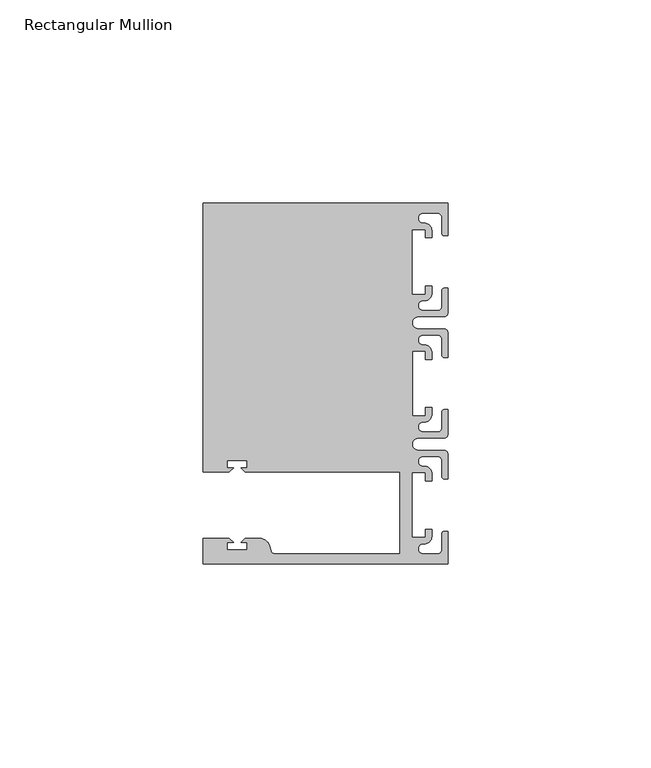
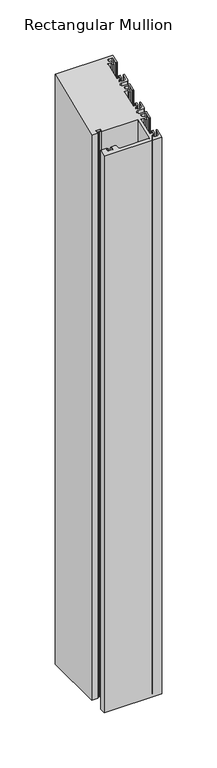
"""IFC4 building model written with IfcOpenShell, lengths in millimetres: member geometry, Rectangular Mullion."""

from ifc_helpers import new_model, si_unit, frame, origin, place, context, project, spatial, polyline, circle_curve, ellipse_curve, source, transform, mapped, element, save
from ifc_brep_helpers import plane_surface, cylinder_surface, revolved_surface, advanced_brep


def rectangular_mullion_9b16fe6d(model_context):
    return source(origin(), model_context, "Body", "AdvancedBrep", [
        advanced_brep(
        [(0.0, -44.45, -635.0), (-60.3249977, -44.45, -635.0), (-60.3249977, -38.1499897, -635.0), (-53.8507531, -38.1499897, -635.0), (-52.8507405, -39.1500023, -635.0), (-54.4249778, -39.1500023, -635.0), (-54.4249778, -40.9498819, -635.0), (-49.4249831, -40.9498819, -635.0), (-49.4249831, -39.1500023, -635.0), (-50.999256, -39.1500023, -635.0), (-49.9992503, -38.1499966, -635.0), (-46.3137853, -38.1499966, -635.0), (-43.8989707, -40.002949, -635.0), (-43.5758588, -41.2088192, -635.0), (-42.6099329, -41.9500001, -635.0), (-11.8, -41.95, -635.0), (-11.8, -21.7499959, -635.0), (-49.9992434, -21.7499959, -635.0), (-50.999256, -20.7499834, -635.0), (-49.4250186, -20.7499834, -635.0), (-49.4250186, -18.949936, -635.0), (-54.4250134, -18.949936, -635.0), (-54.4250134, -20.7499834, -635.0), (-52.8507405, -20.7499834, -635.0), (-53.8507562, -21.749999, -635.0), (-60.325, -21.749999, -635.0), (-60.325, 44.45, -635.0), (0.0, 44.45, -635.0), (0.0, 36.4500318, -635.0), (-1.0, 36.4500318, -635.0), (-1.5, 36.9500318, -635.0), (-1.5, 40.95, -635.0), (-2.5, 41.95, -635.0), (-6.0499986, 41.95, -635.0), (-5.9027291, 39.4587029, -635.0), (-4.0000054, 37.7499972, -635.0), (-4.0000054, 35.9500318, -635.0), (-5.5, 35.9500318, -635.0), (-5.5, 37.9499972, -635.0), (-8.8585786, 37.9499972, -635.0), (-8.8585786, 21.9499956, -635.0), (-5.5, 21.9499956, -635.0), (-5.5, 23.9499611, -635.0), (-3.9999946, 23.9499611, -635.0), (-3.9999946, 22.0272972, -635.0), (-6.0499986, 20.4499956, -635.0), (-6.0499986, 17.9499929, -635.0), (-2.5, 17.9499929, -635.0), (-1.5, 18.9499929, -635.0), (-1.5, 22.9499611, -635.0), (-1.0, 23.4499611, -635.0), (0.0, 23.4499611, -635.0), (0.0, 17.4499929, -635.0), (-1.0, 16.4499929, -635.0), (-7.3, 16.4499929, -635.0), (-7.3046244, 13.45, -635.0), (-1.0, 13.45, -635.0), (0.0, 12.45, -635.0), (0.0, 6.4500354, -635.0), (-0.9999964, 6.4500354, -635.0), (-1.4999964, 6.9500354, -635.0), (-1.4999964, 10.95, -635.0), (-2.4999964, 11.95, -635.0), (-6.0499986, 11.95, -635.0), (-6.0499986, 9.4499972, -635.0), (-4.0000054, 7.7499972, -635.0), (-4.0000054, 5.9500318, -635.0), (-5.5, 5.9500318, -635.0), (-5.5, 7.9499972, -635.0), (-8.8, 7.9499972, -635.0), (-8.8, -7.9499972, -635.0), (-5.5, -7.9499972, -635.0), (-5.5, -5.9500318, -635.0), (-4.0000054, -5.9500318, -635.0), (-4.0000054, -7.7499972, -635.0), (-6.0499986, -9.4499972, -635.0), (-6.0499986, -11.95, -635.0), (-2.4999964, -11.95, -635.0), (-1.4999964, -10.95, -635.0), (-1.4999964, -6.9500354, -635.0), (-0.9999964, -6.4500354, -635.0), (0.0, -6.4500354, -635.0), (0.0, -12.45, -635.0), (-1.0, -13.45, -635.0), (-7.3046244, -13.45, -635.0), (-7.3, -16.4499929, -635.0), (-1.0, -16.4499929, -635.0), (0.0, -17.4499929, -635.0), (0.0, -23.4499611, -635.0), (-1.0, -23.4499611, -635.0), (-1.5, -22.9499611, -635.0), (-1.5, -18.9499929, -635.0), (-2.5, -17.9499929, -635.0), (-6.0499986, -17.9499929, -635.0), (-6.0499986, -20.4499956, -635.0), (-3.9999946, -22.0272972, -635.0), (-3.9999946, -23.9499611, -635.0), (-5.5, -23.9499611, -635.0), (-5.5, -21.9499956, -635.0), (-8.8585786, -21.9499956, -635.0), (-8.8585786, -37.9499972, -635.0), (-5.5, -37.9499972, -635.0), (-5.5, -35.9500318, -635.0), (-4.0000054, -35.9500318, -635.0), (-4.0000054, -37.7499972, -635.0), (-5.9027291, -39.4587029, -635.0), (-6.0499986, -41.95, -635.0), (-2.5, -41.95, -635.0), (-1.5, -40.95, -635.0), (-1.5, -36.9500318, -635.0), (-1.0, -36.4500318, -635.0), (0.0, -36.4500318, -635.0), (0.0, -36.4500318, -15.0980975), (0.0, -44.45, -18.4117928), (-1.0, -36.4500318, -15.0980975), (-1.5, -36.9500318, -15.3052043), (-1.5, -40.95, -16.9620454), (-2.5, -41.95, -17.3762589), (-6.0499986, -41.95, -17.3762589), (-5.9027291, -39.4587029, -16.3443299), (-4.0000054, -37.7499972, -15.6365608), (-4.0000054, -35.9500318, -14.8909907), (-5.5, -35.9500318, -14.8909907), (-5.5, -37.9499972, -15.7194036), (-8.8585786, -37.9499972, -15.7194036), (-8.8585786, -21.9499956, -9.0919859), (-5.5, -21.9499956, -9.0919859), (-5.5, -23.9499611, -9.9203987), (-3.9999946, -23.9499611, -9.9203987), (-3.9999946, -22.0272972, -9.1240053), (-6.0499986, -20.4499956, -8.4706655), (-6.0499986, -17.9499929, -7.4351305), (-2.5, -17.9499929, -7.4351305), (-1.5, -18.9499929, -7.8493441), (-1.5, -22.9499611, -9.5061851), (-1.0, -23.4499611, -9.7132919), (0.0, -23.4499611, -9.7132919), (0.0, -17.4499929, -7.2280237), (-1.0, -16.4499929, -6.8138101), (-7.3, -16.4499929, -6.8138101), (-7.3046244, -13.45, -5.5711724), (-1.0, -13.45, -5.5711724), (0.0, -12.45, -5.1569589), (0.0, -6.4500354, -2.6716921), (-0.9999964, -6.4500354, -2.6716921), (-1.4999964, -6.9500354, -2.8787989), (-1.4999964, -10.95, -4.5356385), (-2.4999964, -11.95, -4.9498521), (-6.0499986, -11.95, -4.9498521), (-6.0499986, -9.4499972, -3.914317), (-4.0000054, -7.7499972, -3.210154), (-4.0000054, -5.9500318, -2.4645839), (-5.5, -5.9500318, -2.4645839), (-5.5, -7.9499972, -3.2929967), (-8.8, -7.9499972, -3.2929967), (-8.8, 7.9499972, 3.2929967), (-5.5, 7.9499972, 3.2929967), (-5.5, 5.9500318, 2.4645839), (-4.0000054, 5.9500318, 2.4645839), (-4.0000054, 7.7499972, 3.210154), (-6.0499986, 9.4499972, 3.914317), (-6.0499986, 11.95, 4.9498521), (-2.4999964, 11.95, 4.9498521), (-1.4999964, 10.95, 4.5356385), (-1.4999964, 6.9500354, 2.8787989), (-0.9999964, 6.4500354, 2.6716921), (0.0, 6.4500354, 2.6716921), (0.0, 12.45, 5.1569589), (-1.0, 13.45, 5.5711724), (-7.3046244, 13.45, 5.5711724), (-7.3, 16.4499929, 6.8138101), (-1.0, 16.4499929, 6.8138101), (0.0, 17.4499929, 7.2280237), (0.0, 23.4499611, 9.7132919), (-1.0, 23.4499611, 9.7132919), (-1.5, 22.9499611, 9.5061851), (-1.5, 18.9499929, 7.8493441), (-2.5, 17.9499929, 7.4351305), (-6.0499986, 17.9499929, 7.4351305), (-6.0499986, 20.4499956, 8.4706655), (-3.9999946, 22.0272972, 9.1240053), (-3.9999946, 23.9499611, 9.9203987), (-5.5, 23.9499611, 9.9203987), (-5.5, 21.9499956, 9.0919859), (-8.8585786, 21.9499956, 9.0919859), (-8.8585786, 37.9499972, 15.7194036), (-5.5, 37.9499972, 15.7194036), (-5.5, 35.9500318, 14.8909907), (-4.0000054, 35.9500318, 14.8909907), (-4.0000054, 37.7499972, 15.6365608), (-5.9027291, 39.4587029, 16.3443299), (-6.0499986, 41.95, 17.3762589), (-2.5, 41.95, 17.3762589), (-1.5, 40.95, 16.9620454), (-1.5, 36.9500318, 15.3052043), (-1.0, 36.4500318, 15.0980975), (0.0, 36.4500318, 15.0980975), (0.0, 44.45, 18.4117928), (-60.325, 44.45, 18.4117928), (-60.325, -21.749999, -9.0091446), (-53.8507562, -21.749999, -9.0091446), (-52.8507405, -20.7499834, -8.5949245), (-54.4250134, -20.7499834, -8.5949245), (-54.4250134, -18.949936, -7.8493205), (-49.4250186, -18.949936, -7.8493205), (-49.4250186, -20.7499834, -8.5949245), (-50.999256, -20.7499834, -8.5949245), (-49.9992434, -21.7499959, -9.0091433), (-11.8, -21.7499959, -9.0091433), (-11.8, -41.95, -17.3762589), (-42.6099329, -41.95, -17.376259), (-43.5758588, -41.2088192, -17.0692518), (-43.8989707, -40.002949, -16.569764), (-46.3137853, -38.1499966, -15.802246), (-49.9992503, -38.1499966, -15.802246), (-50.999256, -39.1500023, -16.2164619), (-49.4249831, -39.1500023, -16.2164619), (-49.4249831, -40.9498819, -16.9619965), (-54.4249778, -40.9498819, -16.9619965), (-54.4249778, -39.1500023, -16.2164619), (-52.8507405, -39.1500023, -16.2164619), (-53.8507531, -38.1499897, -15.8022431), (-60.3249977, -38.1499897, -15.8022431), (-60.3249977, -44.45, -18.4117928)],
        [
            (0, 1),
            (1, 2),
            (2, 3),
            (3, 4),
            (4, 5),
            (5, 6),
            (6, 7),
            (7, 8),
            (8, 9),
            (9, 10),
            (10, 11),
            (11, 12, circle_curve(frame((-46.3137853, -40.6499966, -635.0), z_axis=(0.0, 0.0, -1.0), x_axis=(0.0, 1.0, 0.0)), 2.5)),
            (12, 13),
            (13, 14, circle_curve(frame((-42.6099329, -40.9500001, -635.0), z_axis=(0.0, 0.0, 1.0), x_axis=(0.0, 1.0, 0.0)), 1.0)),
            (14, 15),
            (15, 16),
            (16, 17),
            (17, 18),
            (18, 19),
            (19, 20),
            (20, 21),
            (21, 22),
            (22, 23),
            (23, 24),
            (24, 25),
            (25, 26),
            (26, 27),
            (27, 28),
            (28, 29),
            (29, 30, circle_curve(frame((-1.0, 36.9500318, -635.0), z_axis=(0.0, 0.0, -1.0), x_axis=(0.0, -1.0, 0.0)), 0.5)),
            (30, 31),
            (31, 32, circle_curve(frame((-2.5, 40.95, -635.0), z_axis=(0.0, 0.0, 1.0), x_axis=(0.0, -1.0, 0.0)), 1.0)),
            (32, 33),
            (33, 34, circle_curve(frame((-6.0499986, 40.6999986, -635.0), z_axis=(0.0, 0.0, 1.0), x_axis=(0.0, -1.0, 0.0)), 1.2500014)),
            (34, 35, circle_curve(frame((-5.7186029, 37.7499972, -635.0), z_axis=(0.0, 0.0, -1.0), x_axis=(1.0, 0.0, 0.0)), 1.7185975)),
            (35, 36),
            (36, 37),
            (37, 38),
            (38, 39),
            (39, 40),
            (40, 41),
            (41, 42),
            (42, 43),
            (43, 44),
            (44, 45, circle_curve(frame((-5.7543344, 22.1865598, -635.0), z_axis=(0.0, 0.0, -1.0), x_axis=(1.0, 0.0, 0.0)), 1.761554)),
            (45, 46, circle_curve(frame((-6.0499986, 19.1999942, -635.0), z_axis=(0.0, 0.0, 1.0), x_axis=(0.0, -1.0, 0.0)), 1.2500014)),
            (46, 47),
            (47, 48, circle_curve(frame((-2.5, 18.9499929, -635.0), z_axis=(0.0, 0.0, 1.0), x_axis=(0.0, -1.0, 0.0)), 1.0)),
            (48, 49),
            (49, 50, circle_curve(frame((-1.0, 22.9499611, -635.0), z_axis=(0.0, 0.0, -1.0), x_axis=(0.0, -1.0, 0.0)), 0.5)),
            (50, 51),
            (51, 52),
            (52, 53, circle_curve(frame((-1.0, 17.4499929, -635.0), z_axis=(0.0, 0.0, -1.0), x_axis=(0.0, -1.0, 0.0)), 1.0)),
            (53, 54),
            (54, 55, circle_curve(frame((-7.3, 14.9499929, -635.0), z_axis=(0.0, 0.0, 1.0), x_axis=(0.0, -1.0, 0.0)), 1.5)),
            (55, 56),
            (56, 57, circle_curve(frame((-1.0, 12.45, -635.0), z_axis=(0.0, 0.0, -1.0), x_axis=(0.0, -1.0, 0.0)), 1.0)),
            (57, 58),
            (58, 59),
            (59, 60, circle_curve(frame((-0.9999964, 6.9500354, -635.0), z_axis=(0.0, 0.0, -1.0), x_axis=(0.0, -1.0, 0.0)), 0.5)),
            (60, 61),
            (61, 62, circle_curve(frame((-2.4999964, 10.95, -635.0), z_axis=(0.0, 0.0, 1.0), x_axis=(0.0, -1.0, 0.0)), 1.0)),
            (62, 63),
            (63, 64, circle_curve(frame((-6.0499986, 10.6999986, -635.0), z_axis=(0.0, 0.0, 1.0), x_axis=(0.0, -1.0, 0.0)), 1.2500014)),
            (64, 65, circle_curve(frame((-5.7298824, 7.7499972, -635.0), z_axis=(0.0, 0.0, -1.0), x_axis=(1.0, 0.0, 0.0)), 1.729877)),
            (65, 66),
            (66, 67),
            (67, 68),
            (68, 69),
            (69, 70),
            (70, 71),
            (71, 72),
            (72, 73),
            (73, 74),
            (74, 75, circle_curve(frame((-5.7298824, -7.7499972, -635.0), z_axis=(0.0, 0.0, -1.0), x_axis=(1.0, 0.0, 0.0)), 1.729877)),
            (75, 76, circle_curve(frame((-6.0499986, -10.6999986, -635.0), z_axis=(0.0, 0.0, 1.0), x_axis=(0.0, 1.0, 0.0)), 1.2500014)),
            (76, 77),
            (77, 78, circle_curve(frame((-2.4999964, -10.95, -635.0), z_axis=(0.0, 0.0, 1.0), x_axis=(0.0, 1.0, 0.0)), 1.0)),
            (78, 79),
            (79, 80, circle_curve(frame((-0.9999964, -6.9500354, -635.0), z_axis=(0.0, 0.0, -1.0), x_axis=(0.0, 1.0, 0.0)), 0.5)),
            (80, 81),
            (81, 82),
            (82, 83, circle_curve(frame((-1.0, -12.45, -635.0), z_axis=(0.0, 0.0, -1.0), x_axis=(0.0, 1.0, 0.0)), 1.0)),
            (83, 84),
            (84, 85, circle_curve(frame((-7.3, -14.9499929, -635.0), z_axis=(0.0, 0.0, 1.0), x_axis=(0.0, 1.0, 0.0)), 1.5)),
            (85, 86),
            (86, 87, circle_curve(frame((-1.0, -17.4499929, -635.0), z_axis=(0.0, 0.0, -1.0), x_axis=(0.0, 1.0, 0.0)), 1.0)),
            (87, 88),
            (88, 89),
            (89, 90, circle_curve(frame((-1.0, -22.9499611, -635.0), z_axis=(0.0, 0.0, -1.0), x_axis=(0.0, 1.0, 0.0)), 0.5)),
            (90, 91),
            (91, 92, circle_curve(frame((-2.5, -18.9499929, -635.0), z_axis=(0.0, 0.0, 1.0), x_axis=(0.0, 1.0, 0.0)), 1.0)),
            (92, 93),
            (93, 94, circle_curve(frame((-6.0499986, -19.1999942, -635.0), z_axis=(0.0, 0.0, 1.0), x_axis=(0.0, 1.0, 0.0)), 1.2500014)),
            (94, 95, circle_curve(frame((-5.7543344, -22.1865598, -635.0), z_axis=(0.0, 0.0, -1.0), x_axis=(1.0, 0.0, 0.0)), 1.761554)),
            (95, 96),
            (96, 97),
            (97, 98),
            (98, 99),
            (99, 100),
            (100, 101),
            (101, 102),
            (102, 103),
            (103, 104),
            (104, 105, circle_curve(frame((-5.7186029, -37.7499972, -635.0), z_axis=(0.0, 0.0, -1.0), x_axis=(1.0, 0.0, 0.0)), 1.7185975)),
            (105, 106, circle_curve(frame((-6.0499986, -40.6999986, -635.0), z_axis=(0.0, 0.0, 1.0), x_axis=(0.0, 1.0, 0.0)), 1.2500014)),
            (106, 107),
            (107, 108, circle_curve(frame((-2.5, -40.95, -635.0), z_axis=(0.0, 0.0, 1.0), x_axis=(0.0, 1.0, 0.0)), 1.0)),
            (108, 109),
            (109, 110, circle_curve(frame((-1.0, -36.9500318, -635.0), z_axis=(0.0, 0.0, -1.0), x_axis=(0.0, 1.0, 0.0)), 0.5)),
            (110, 111),
            (111, 0),
            (112, 113),
            (113, 0),
            (111, 112),
            (114, 112),
            (110, 114),
            (115, 114, ellipse_curve(frame((-1.0, -36.9500318, -15.3052043), z_axis=(0.0, 0.3826834323650909, -0.9238795325112864), x_axis=(0.0, 0.9238795325112865, 0.3826834323650905)), 0.5411961, 0.5)),
            (109, 115),
            (116, 115),
            (108, 116),
            (117, 116, ellipse_curve(frame((-2.5, -40.95, -16.9620454), z_axis=(0.0, -0.3826834323650909, 0.9238795325112864), x_axis=(0.0, -0.9238795325112865, -0.3826834323650905)), 1.0823922, 1.0)),
            (107, 117),
            (118, 117),
            (106, 118),
            (119, 118, ellipse_curve(frame((-6.0499986, -40.6999986, -16.8584914), z_axis=(0.0, -0.3826834323650909, 0.9238795325112864), x_axis=(0.0, -0.9238795325112865, -0.3826834323650905)), 1.3529917, 1.2500014)),
            (105, 119),
            (120, 119, ellipse_curve(frame((-5.7186029, -37.7499972, -15.6365608), z_axis=(0.0, 0.3826834323650909, -0.9238795325112864), x_axis=(0.0, 0.9238795325112865, 0.3826834323650905)), 1.8601965, 1.7185975)),
            (104, 120),
            (121, 120),
            (103, 121),
            (122, 121),
            (102, 122),
            (123, 122),
            (101, 123),
            (124, 123),
            (100, 124),
            (125, 124),
            (99, 125),
            (126, 125),
            (98, 126),
            (127, 126),
            (97, 127),
            (128, 127),
            (96, 128),
            (129, 128),
            (95, 129),
            (130, 129, ellipse_curve(frame((-5.7543344, -22.1865598, -9.189974), z_axis=(0.0, 0.3826834323650909, -0.9238795325112864), x_axis=(0.0, 0.9238795325112865, 0.3826834323650905)), 1.9066923, 1.761554)),
            (94, 130),
            (131, 130, ellipse_curve(frame((-6.0499986, -19.1999942, -7.952898), z_axis=(0.0, -0.3826834323650909, 0.9238795325112864), x_axis=(0.0, -0.9238795325112865, -0.3826834323650905)), 1.3529917, 1.2500014)),
            (93, 131),
            (132, 131),
            (92, 132),
            (133, 132, ellipse_curve(frame((-2.5, -18.9499929, -7.8493441), z_axis=(0.0, -0.3826834323650909, 0.9238795325112864), x_axis=(0.0, -0.9238795325112865, -0.3826834323650905)), 1.0823922, 1.0)),
            (91, 133),
            (134, 133),
            (90, 134),
            (135, 134, ellipse_curve(frame((-1.0, -22.9499611, -9.5061851), z_axis=(0.0, 0.3826834323650909, -0.9238795325112864), x_axis=(0.0, 0.9238795325112865, 0.3826834323650905)), 0.5411961, 0.5)),
            (89, 135),
            (136, 135),
            (88, 136),
            (137, 136),
            (87, 137),
            (138, 137, ellipse_curve(frame((-1.0, -17.4499929, -7.2280237), z_axis=(0.0, 0.3826834323650909, -0.9238795325112864), x_axis=(0.0, 0.9238795325112865, 0.3826834323650905)), 1.0823922, 1.0)),
            (86, 138),
            (139, 138),
            (85, 139),
            (140, 139, ellipse_curve(frame((-7.3, -14.9499929, -6.1924898), z_axis=(0.0, -0.3826834323650909, 0.9238795325112864), x_axis=(0.0, -0.9238795325112865, -0.3826834323650905)), 1.6235883, 1.5)),
            (84, 140),
            (141, 140),
            (83, 141),
            (142, 141, ellipse_curve(frame((-1.0, -12.45, -5.1569589), z_axis=(0.0, 0.3826834323650909, -0.9238795325112864), x_axis=(0.0, 0.9238795325112865, 0.3826834323650905)), 1.0823922, 1.0)),
            (82, 142),
            (143, 142),
            (81, 143),
            (144, 143),
            (80, 144),
            (145, 144, ellipse_curve(frame((-0.9999964, -6.9500354, -2.8787989), z_axis=(0.0, 0.3826834323650909, -0.9238795325112864), x_axis=(0.0, 0.9238795325112865, 0.3826834323650905)), 0.5411961, 0.5)),
            (79, 145),
            (146, 145),
            (78, 146),
            (147, 146, ellipse_curve(frame((-2.4999964, -10.95, -4.5356385), z_axis=(0.0, -0.3826834323650909, 0.9238795325112864), x_axis=(0.0, -0.9238795325112865, -0.3826834323650905)), 1.0823922, 1.0)),
            (77, 147),
            (148, 147),
            (76, 148),
            (149, 148, ellipse_curve(frame((-6.0499986, -10.6999986, -4.4320845), z_axis=(0.0, -0.3826834323650909, 0.9238795325112864), x_axis=(0.0, -0.9238795325112865, -0.3826834323650905)), 1.3529917, 1.2500014)),
            (75, 149),
            (150, 149, ellipse_curve(frame((-5.7298824, -7.7499972, -3.210154), z_axis=(0.0, 0.3826834323650909, -0.9238795325112864), x_axis=(0.0, 0.9238795325112865, 0.3826834323650905)), 1.8724054, 1.729877)),
            (74, 150),
            (151, 150),
            (73, 151),
            (152, 151),
            (72, 152),
            (153, 152),
            (71, 153),
            (154, 153),
            (70, 154),
            (155, 154),
            (69, 155),
            (156, 155),
            (68, 156),
            (157, 156),
            (67, 157),
            (158, 157),
            (66, 158),
            (159, 158),
            (65, 159),
            (160, 159, ellipse_curve(frame((-5.7298824, 7.7499972, 3.210154), z_axis=(0.0, 0.3826834323650909, -0.9238795325112864), x_axis=(0.0, 0.9238795325112865, 0.3826834323650905)), 1.8724054, 1.729877)),
            (64, 160),
            (161, 160, ellipse_curve(frame((-6.0499986, 10.6999986, 4.4320845), z_axis=(0.0, -0.3826834323650909, 0.9238795325112864), x_axis=(0.0, -0.9238795325112865, -0.3826834323650905)), 1.3529917, 1.2500014)),
            (63, 161),
            (162, 161),
            (62, 162),
            (163, 162, ellipse_curve(frame((-2.4999964, 10.95, 4.5356385), z_axis=(0.0, -0.3826834323650909, 0.9238795325112864), x_axis=(0.0, -0.9238795325112865, -0.3826834323650905)), 1.0823922, 1.0)),
            (61, 163),
            (164, 163),
            (60, 164),
            (165, 164, ellipse_curve(frame((-0.9999964, 6.9500354, 2.8787989), z_axis=(0.0, 0.3826834323650909, -0.9238795325112864), x_axis=(0.0, 0.9238795325112865, 0.3826834323650905)), 0.5411961, 0.5)),
            (59, 165),
            (166, 165),
            (58, 166),
            (167, 166),
            (57, 167),
            (168, 167, ellipse_curve(frame((-1.0, 12.45, 5.1569589), z_axis=(0.0, 0.3826834323650909, -0.9238795325112864), x_axis=(0.0, 0.9238795325112865, 0.3826834323650905)), 1.0823922, 1.0)),
            (56, 168),
            (169, 168),
            (55, 169),
            (170, 169, ellipse_curve(frame((-7.3, 14.9499929, 6.1924898), z_axis=(0.0, -0.3826834323650909, 0.9238795325112864), x_axis=(0.0, -0.9238795325112865, -0.3826834323650905)), 1.6235883, 1.5)),
            (54, 170),
            (171, 170),
            (53, 171),
            (172, 171, ellipse_curve(frame((-1.0, 17.4499929, 7.2280237), z_axis=(0.0, 0.3826834323650909, -0.9238795325112864), x_axis=(0.0, 0.9238795325112865, 0.3826834323650905)), 1.0823922, 1.0)),
            (52, 172),
            (173, 172),
            (51, 173),
            (174, 173),
            (50, 174),
            (175, 174, ellipse_curve(frame((-1.0, 22.9499611, 9.5061851), z_axis=(0.0, 0.3826834323650909, -0.9238795325112864), x_axis=(0.0, 0.9238795325112865, 0.3826834323650905)), 0.5411961, 0.5)),
            (49, 175),
            (176, 175),
            (48, 176),
            (177, 176, ellipse_curve(frame((-2.5, 18.9499929, 7.8493441), z_axis=(0.0, -0.3826834323650909, 0.9238795325112864), x_axis=(0.0, -0.9238795325112865, -0.3826834323650905)), 1.0823922, 1.0)),
            (47, 177),
            (178, 177),
            (46, 178),
            (179, 178, ellipse_curve(frame((-6.0499986, 19.1999942, 7.952898), z_axis=(0.0, -0.3826834323650909, 0.9238795325112864), x_axis=(0.0, -0.9238795325112865, -0.3826834323650905)), 1.3529917, 1.2500014)),
            (45, 179),
            (180, 179, ellipse_curve(frame((-5.7543344, 22.1865598, 9.189974), z_axis=(0.0, 0.3826834323650909, -0.9238795325112864), x_axis=(0.0, 0.9238795325112865, 0.3826834323650905)), 1.9066923, 1.761554)),
            (44, 180),
            (181, 180),
            (43, 181),
            (182, 181),
            (42, 182),
            (183, 182),
            (41, 183),
            (184, 183),
            (40, 184),
            (185, 184),
            (39, 185),
            (186, 185),
            (38, 186),
            (187, 186),
            (37, 187),
            (188, 187),
            (36, 188),
            (189, 188),
            (35, 189),
            (190, 189, ellipse_curve(frame((-5.7186029, 37.7499972, 15.6365608), z_axis=(0.0, 0.3826834323650909, -0.9238795325112864), x_axis=(0.0, 0.9238795325112865, 0.3826834323650905)), 1.8601965, 1.7185975)),
            (34, 190),
            (191, 190, ellipse_curve(frame((-6.0499986, 40.6999986, 16.8584914), z_axis=(0.0, -0.3826834323650909, 0.9238795325112864), x_axis=(0.0, -0.9238795325112865, -0.3826834323650905)), 1.3529917, 1.2500014)),
            (33, 191),
            (192, 191),
            (32, 192),
            (193, 192, ellipse_curve(frame((-2.5, 40.95, 16.9620454), z_axis=(0.0, -0.3826834323650909, 0.9238795325112864), x_axis=(0.0, -0.9238795325112865, -0.3826834323650905)), 1.0823922, 1.0)),
            (31, 193),
            (194, 193),
            (30, 194),
            (195, 194, ellipse_curve(frame((-1.0, 36.9500318, 15.3052043), z_axis=(0.0, 0.3826834323650909, -0.9238795325112864), x_axis=(0.0, 0.9238795325112865, 0.3826834323650905)), 0.5411961, 0.5)),
            (29, 195),
            (196, 195),
            (28, 196),
            (197, 196),
            (27, 197),
            (198, 197),
            (26, 198),
            (199, 198),
            (25, 199),
            (200, 199),
            (24, 200),
            (201, 200),
            (23, 201),
            (202, 201),
            (22, 202),
            (203, 202),
            (21, 203),
            (204, 203),
            (20, 204),
            (205, 204),
            (19, 205),
            (206, 205),
            (18, 206),
            (207, 206),
            (17, 207),
            (208, 207),
            (16, 208),
            (209, 208),
            (15, 209),
            (210, 209),
            (14, 210),
            (211, 210, ellipse_curve(frame((-42.6099329, -40.9500001, -16.9620454), z_axis=(0.0, -0.3826834323650909, 0.9238795325112864), x_axis=(0.0, -0.9238795325112865, -0.3826834323650905)), 1.0823922, 1.0)),
            (13, 211),
            (212, 211),
            (12, 212),
            (213, 212, ellipse_curve(frame((-46.3137853, -40.6499966, -16.8377799), z_axis=(0.0, 0.3826834323650909, -0.9238795325112864), x_axis=(0.0, 0.9238795325112865, 0.3826834323650905)), 2.7059805, 2.5)),
            (11, 213),
            (214, 213),
            (10, 214),
            (215, 214),
            (9, 215),
            (216, 215),
            (8, 216),
            (217, 216),
            (7, 217),
            (218, 217),
            (6, 218),
            (219, 218),
            (5, 219),
            (220, 219),
            (4, 220),
            (221, 220),
            (3, 221),
            (222, 221),
            (2, 222),
            (223, 222),
            (1, 223),
            (113, 223),
        ],
        [
            plane_surface(frame((0.0, -74.9326906, -635.0), z_axis=(0.0, 0.0, -1.0), x_axis=(-1.0, 0.0, 0.0))),
            plane_surface(frame((0.0, -44.45, 0.0), z_axis=(1.0, 0.0, 0.0), x_axis=(0.0, 0.0, -1.0))),
            plane_surface(frame((0.0, -36.4500318, 0.0), z_axis=(0.0, 1.0, 0.0), x_axis=(0.0, 0.0, -1.0))),
            cylinder_surface(frame((-1.0, -36.9500318, 0.0), z_axis=(0.0, 0.0, 1.0), x_axis=(0.0, 1.0, 0.0)), 0.5),
            plane_surface(frame((-1.5, -36.9500318, 0.0), z_axis=(-1.0, 0.0, 0.0), x_axis=(0.0, 0.0, -1.0))),
            revolved_surface(polyline([(-2.5, -39.95, -635.0), (-2.5, -39.95, -16.547831837738798)]), (-2.5, -40.95, 0.0), (0.0, 0.0, -1.0)),
            plane_surface(frame((-2.5, -41.95, 0.0), z_axis=(0.0, 1.0, 0.0), x_axis=(0.0, 0.0, -1.0))),
            revolved_surface(polyline([(-6.0499986, -39.4499972, -635.0), (-6.0499986, -39.4499972, -16.34072389228252)]), (-6.0499986, -40.6999986, 0.0), (0.0, 0.0, -1.0)),
            cylinder_surface(frame((-5.7186029, -37.7499972, 0.0), z_axis=(0.0, 0.0, 1.0), x_axis=(1.0, 0.0, 0.0)), 1.7185975),
            plane_surface(frame((-4.0000054, -37.7499972, 0.0), z_axis=(1.0, 0.0, 0.0), x_axis=(0.0, 0.0, -1.0))),
            plane_surface(frame((-4.0000054, -35.9500318, 0.0), z_axis=(0.0, 1.0, 0.0), x_axis=(0.0, 0.0, -1.0))),
            plane_surface(frame((-5.5, -35.9500318, 0.0), z_axis=(-1.0, 0.0, 0.0), x_axis=(0.0, 0.0, -1.0))),
            plane_surface(frame((-5.5, -37.9499972, 0.0), z_axis=(0.0, 1.0, 0.0), x_axis=(0.0, 0.0, -1.0))),
            plane_surface(frame((-8.8585786, -37.9499972, 0.0), z_axis=(1.0, 0.0, 0.0), x_axis=(0.0, 0.0, -1.0))),
            plane_surface(frame((-8.8585786, -21.9499956, 0.0), z_axis=(0.0, -1.0, 0.0), x_axis=(0.0, 0.0, -1.0))),
            plane_surface(frame((-5.5, -21.9499956, 0.0), z_axis=(-1.0, 0.0, 0.0), x_axis=(0.0, 0.0, -1.0))),
            plane_surface(frame((-5.5, -23.9499611, 0.0), z_axis=(0.0, -1.0, 0.0), x_axis=(0.0, 0.0, -1.0))),
            plane_surface(frame((-3.9999946, -23.9499611, 0.0), z_axis=(1.0, 0.0, 0.0), x_axis=(0.0, 0.0, -1.0))),
            cylinder_surface(frame((-5.7543344, -22.1865598, 0.0), z_axis=(0.0, 0.0, 1.0), x_axis=(1.0, 0.0, 0.0)), 1.761554),
            revolved_surface(polyline([(-6.0499986, -17.9499928, -635.0), (-6.0499986, -17.9499928, -7.435130492282521)]), (-6.0499986, -19.1999942, 0.0), (0.0, 0.0, -1.0)),
            plane_surface(frame((-6.0499986, -17.9499929, 0.0), z_axis=(0.0, -1.0, 0.0), x_axis=(0.0, 0.0, -1.0))),
            revolved_surface(polyline([(-2.5, -17.9499929, -635.0), (-2.5, -17.9499929, -7.4351305)]), (-2.5, -18.9499929, 0.0), (0.0, 0.0, -1.0)),
            plane_surface(frame((-1.5, -18.9499929, 0.0), z_axis=(-1.0, 0.0, 0.0), x_axis=(0.0, 0.0, -1.0))),
            cylinder_surface(frame((-1.0, -22.9499611, 0.0), z_axis=(0.0, 0.0, 1.0), x_axis=(0.0, 1.0, 0.0)), 0.5),
            plane_surface(frame((-1.0, -23.4499611, 0.0), z_axis=(0.0, -1.0, 0.0), x_axis=(0.0, 0.0, -1.0))),
            plane_surface(frame((0.0, -23.4499611, 0.0), z_axis=(1.0, 0.0, 0.0), x_axis=(0.0, 0.0, -1.0))),
            cylinder_surface(frame((-1.0, -17.4499929, 0.0), z_axis=(0.0, 0.0, 1.0), x_axis=(0.0, 1.0, 0.0)), 1.0),
            plane_surface(frame((-1.0, -16.4499929, 0.0), z_axis=(0.0, 1.0, 0.0), x_axis=(0.0, 0.0, -1.0))),
            revolved_surface(polyline([(-7.3, -13.4499929, -635.0), (-7.3, -13.4499929, -5.571169456608198)]), (-7.3, -14.9499929, 0.0), (0.0, 0.0, -1.0)),
            plane_surface(frame((-7.3046244, -13.45, 0.0), z_axis=(0.0, -1.0, 0.0), x_axis=(0.0, 0.0, -1.0))),
            cylinder_surface(frame((-1.0, -12.45, 0.0), z_axis=(0.0, 0.0, 1.0), x_axis=(0.0, 1.0, 0.0)), 1.0),
            plane_surface(frame((0.0, -12.45, 0.0), z_axis=(1.0, 0.0, 0.0), x_axis=(0.0, 0.0, -1.0))),
            plane_surface(frame((0.0, -6.4500354, 0.0), z_axis=(0.0, 1.0, 0.0), x_axis=(0.0, 0.0, -1.0))),
            cylinder_surface(frame((-0.9999964, -6.9500354, 0.0), z_axis=(0.0, 0.0, 1.0), x_axis=(0.0, 1.0, 0.0)), 0.5),
            plane_surface(frame((-1.4999964, -6.9500354, 0.0), z_axis=(-1.0, 0.0, 0.0), x_axis=(0.0, 0.0, -1.0))),
            revolved_surface(polyline([(-2.4999964, -9.95, -635.0), (-2.4999964, -9.95, -4.121424937738799)]), (-2.4999964, -10.95, 0.0), (0.0, 0.0, -1.0)),
            plane_surface(frame((-2.4999964, -11.95, 0.0), z_axis=(0.0, 1.0, 0.0), x_axis=(0.0, 0.0, -1.0))),
            revolved_surface(polyline([(-6.0499986, -9.4499972, -635.0), (-6.0499986, -9.4499972, -3.9143169922825214)]), (-6.0499986, -10.6999986, 0.0), (0.0, 0.0, -1.0)),
            cylinder_surface(frame((-5.7298824, -7.7499972, 0.0), z_axis=(0.0, 0.0, 1.0), x_axis=(1.0, 0.0, 0.0)), 1.729877),
            plane_surface(frame((-4.0000054, -7.7499972, 0.0), z_axis=(1.0, 0.0, 0.0), x_axis=(0.0, 0.0, -1.0))),
            plane_surface(frame((-4.0000054, -5.9500318, 0.0), z_axis=(0.0, 1.0, 0.0), x_axis=(0.0, 0.0, -1.0))),
            plane_surface(frame((-5.5, -5.9500318, 0.0), z_axis=(-1.0, 0.0, 0.0), x_axis=(0.0, 0.0, -1.0))),
            plane_surface(frame((-5.5, -7.9499972, 0.0), z_axis=(0.0, 1.0, 0.0), x_axis=(0.0, 0.0, -1.0))),
            plane_surface(frame((-8.8, -7.9499972, 0.0), z_axis=(1.0, 0.0, 0.0), x_axis=(0.0, 0.0, -1.0))),
            plane_surface(frame((-8.8, 7.9499972, 0.0), z_axis=(0.0, -1.0, 0.0), x_axis=(0.0, 0.0, -1.0))),
            plane_surface(frame((-5.5, 7.9499972, 0.0), z_axis=(-1.0, 0.0, 0.0), x_axis=(0.0, 0.0, -1.0))),
            plane_surface(frame((-5.5, 5.9500318, 0.0), z_axis=(0.0, -1.0, 0.0), x_axis=(0.0, 0.0, -1.0))),
            plane_surface(frame((-4.0000054, 5.9500318, 0.0), z_axis=(1.0, 0.0, 0.0), x_axis=(0.0, 0.0, -1.0))),
            cylinder_surface(frame((-5.7298824, 7.7499972, 0.0), z_axis=(0.0, 0.0, 1.0), x_axis=(1.0, 0.0, 0.0)), 1.729877),
            revolved_surface(polyline([(-6.0499986, 9.4499972, -635.0), (-6.0499986, 9.4499972, 4.9498521)]), (-6.0499986, 10.6999986, 0.0), (0.0, 0.0, -1.0)),
            plane_surface(frame((-6.0499986, 11.95, 0.0), z_axis=(0.0, -1.0, 0.0), x_axis=(0.0, 0.0, -1.0))),
            revolved_surface(polyline([(-2.4999964, 9.95, -635.0), (-2.4999964, 9.95, 4.9498521)]), (-2.4999964, 10.95, 0.0), (0.0, 0.0, -1.0)),
            plane_surface(frame((-1.4999964, 10.95, 0.0), z_axis=(-1.0, 0.0, 0.0), x_axis=(0.0, 0.0, -1.0))),
            cylinder_surface(frame((-0.9999964, 6.9500354, 0.0), z_axis=(0.0, 0.0, 1.0), x_axis=(0.0, -1.0, 0.0)), 0.5),
            plane_surface(frame((-0.9999964, 6.4500354, 0.0), z_axis=(0.0, -1.0, 0.0), x_axis=(0.0, 0.0, -1.0))),
            plane_surface(frame((0.0, 6.4500354, 0.0), z_axis=(1.0, 0.0, 0.0), x_axis=(0.0, 0.0, -1.0))),
            cylinder_surface(frame((-1.0, 12.45, 0.0), z_axis=(0.0, 0.0, 1.0), x_axis=(0.0, -1.0, 0.0)), 1.0),
            plane_surface(frame((-1.0, 13.45, 0.0), z_axis=(0.0, 1.0, 0.0), x_axis=(0.0, 0.0, -1.0))),
            revolved_surface(polyline([(-7.3, 13.4499929, -635.0), (-7.3, 13.4499929, 6.813810143391802)]), (-7.3, 14.9499929, 0.0), (0.0, 0.0, -1.0)),
            plane_surface(frame((-7.3, 16.4499929, 0.0), z_axis=(0.0, -1.0, 0.0), x_axis=(0.0, 0.0, -1.0))),
            cylinder_surface(frame((-1.0, 17.4499929, 0.0), z_axis=(0.0, 0.0, 1.0), x_axis=(0.0, -1.0, 0.0)), 1.0),
            plane_surface(frame((0.0, 17.4499929, 0.0), z_axis=(1.0, 0.0, 0.0), x_axis=(0.0, 0.0, -1.0))),
            plane_surface(frame((0.0, 23.4499611, 0.0), z_axis=(0.0, 1.0, 0.0), x_axis=(0.0, 0.0, -1.0))),
            cylinder_surface(frame((-1.0, 22.9499611, 0.0), z_axis=(0.0, 0.0, 1.0), x_axis=(0.0, -1.0, 0.0)), 0.5),
            plane_surface(frame((-1.5, 22.9499611, 0.0), z_axis=(-1.0, 0.0, 0.0), x_axis=(0.0, 0.0, -1.0))),
            revolved_surface(polyline([(-2.5, 17.9499929, -635.0), (-2.5, 17.9499929, 8.263557662261201)]), (-2.5, 18.9499929, 0.0), (0.0, 0.0, -1.0)),
            plane_surface(frame((-2.5, 17.9499929, 0.0), z_axis=(0.0, 1.0, 0.0), x_axis=(0.0, 0.0, -1.0))),
            revolved_surface(polyline([(-6.0499986, 17.9499928, -635.0), (-6.0499986, 17.9499928, 8.470665507717479)]), (-6.0499986, 19.1999942, 0.0), (0.0, 0.0, -1.0)),
            cylinder_surface(frame((-5.7543344, 22.1865598, 0.0), z_axis=(0.0, 0.0, 1.0), x_axis=(1.0, 0.0, 0.0)), 1.761554),
            plane_surface(frame((-3.9999946, 22.0272972, 0.0), z_axis=(1.0, 0.0, 0.0), x_axis=(0.0, 0.0, -1.0))),
            plane_surface(frame((-3.9999946, 23.9499611, 0.0), z_axis=(0.0, 1.0, 0.0), x_axis=(0.0, 0.0, -1.0))),
            plane_surface(frame((-5.5, 23.9499611, 0.0), z_axis=(-1.0, 0.0, 0.0), x_axis=(0.0, 0.0, -1.0))),
            plane_surface(frame((-5.5, 21.9499956, 0.0), z_axis=(0.0, 1.0, 0.0), x_axis=(0.0, 0.0, -1.0))),
            plane_surface(frame((-8.8585786, 21.9499956, 0.0), z_axis=(1.0, 0.0, 0.0), x_axis=(0.0, 0.0, -1.0))),
            plane_surface(frame((-8.8585786, 37.9499972, 0.0), z_axis=(0.0, -1.0, 0.0), x_axis=(0.0, 0.0, -1.0))),
            plane_surface(frame((-5.5, 37.9499972, 0.0), z_axis=(-1.0, 0.0, 0.0), x_axis=(0.0, 0.0, -1.0))),
            plane_surface(frame((-5.5, 35.9500318, 0.0), z_axis=(0.0, -1.0, 0.0), x_axis=(0.0, 0.0, -1.0))),
            plane_surface(frame((-4.0000054, 35.9500318, 0.0), z_axis=(1.0, 0.0, 0.0), x_axis=(0.0, 0.0, -1.0))),
            cylinder_surface(frame((-5.7186029, 37.7499972, 0.0), z_axis=(0.0, 0.0, 1.0), x_axis=(1.0, 0.0, 0.0)), 1.7185975),
            revolved_surface(polyline([(-6.0499986, 39.4499972, -635.0), (-6.0499986, 39.4499972, 17.376258907717478)]), (-6.0499986, 40.6999986, 0.0), (0.0, 0.0, -1.0)),
            plane_surface(frame((-6.0499986, 41.95, 0.0), z_axis=(0.0, -1.0, 0.0), x_axis=(0.0, 0.0, -1.0))),
            revolved_surface(polyline([(-2.5, 39.95, -635.0), (-2.5, 39.95, 17.376258962261204)]), (-2.5, 40.95, 0.0), (0.0, 0.0, -1.0)),
            plane_surface(frame((-1.5, 40.95, 0.0), z_axis=(-1.0, 0.0, 0.0), x_axis=(0.0, 0.0, -1.0))),
            cylinder_surface(frame((-1.0, 36.9500318, 0.0), z_axis=(0.0, 0.0, 1.0), x_axis=(0.0, -1.0, 0.0)), 0.5),
            plane_surface(frame((-1.0, 36.4500318, 0.0), z_axis=(0.0, -1.0, 0.0), x_axis=(0.0, 0.0, -1.0))),
            plane_surface(frame((0.0, 36.4500318, 0.0), z_axis=(1.0, 0.0, 0.0), x_axis=(0.0, 0.0, -1.0))),
            plane_surface(frame((0.0, 44.45, 0.0), z_axis=(0.0, 1.0, 0.0), x_axis=(0.0, 0.0, -1.0))),
            plane_surface(frame((-60.325, 44.45, 0.0), z_axis=(-1.0, 0.0, 0.0), x_axis=(0.0, 0.0, -1.0))),
            plane_surface(frame((-60.325, -21.749999, 0.0), z_axis=(0.0, -1.0, 0.0), x_axis=(0.0, 0.0, -1.0))),
            plane_surface(frame((-53.8507562, -21.749999, 0.0), z_axis=(0.7071067811865472, -0.7071067811865479, 0.0), x_axis=(0.0, 0.0, -1.0))),
            plane_surface(frame((-52.8507405, -20.7499834, 0.0), z_axis=(0.0, 1.0, 0.0), x_axis=(0.0, 0.0, -1.0))),
            plane_surface(frame((-54.4250134, -20.7499834, 0.0), z_axis=(1.0, 0.0, 0.0), x_axis=(0.0, 0.0, -1.0))),
            plane_surface(frame((-54.4250134, -18.949936, 0.0), z_axis=(0.0, -1.0, 0.0), x_axis=(0.0, 0.0, -1.0))),
            plane_surface(frame((-49.4250186, -18.949936, 0.0), z_axis=(-1.0, 0.0, 0.0), x_axis=(0.0, 0.0, -1.0))),
            plane_surface(frame((-49.4250186, -20.7499834, 0.0), z_axis=(0.0, 1.0, 0.0), x_axis=(0.0, 0.0, -1.0))),
            plane_surface(frame((-50.999256, -20.7499834, 0.0), z_axis=(-0.7071067811865492, -0.7071067811865459, 0.0), x_axis=(0.0, 0.0, -1.0))),
            plane_surface(frame((-49.9992434, -21.7499959, 0.0), z_axis=(0.0, -1.0, 0.0), x_axis=(0.0, 0.0, -1.0))),
            plane_surface(frame((-11.8, -21.7499959, 0.0), z_axis=(-1.0, 0.0, 0.0), x_axis=(0.0, 0.0, -1.0))),
            plane_surface(frame((-11.8, -41.95, 0.0), z_axis=(0.0, 1.0, 0.0), x_axis=(0.0, 0.0, -1.0))),
            revolved_surface(polyline([(-42.6099329, -39.9500001, -635.0), (-42.6099329, -39.9500001, -16.547831837738798)]), (-42.6099329, -40.9500001, 0.0), (0.0, 0.0, -1.0)),
            plane_surface(frame((-43.5758588, -41.2088192, 0.0), z_axis=(0.965925826289163, 0.2588190451021675, 0.0), x_axis=(0.0, 0.0, -1.0))),
            cylinder_surface(frame((-46.3137853, -40.6499966, 0.0), z_axis=(0.0, 0.0, 1.0), x_axis=(0.0, 1.0, 0.0)), 2.5),
            plane_surface(frame((-46.3137853, -38.1499966, 0.0), z_axis=(0.0, 1.0, 0.0), x_axis=(0.0, 0.0, -1.0))),
            plane_surface(frame((-49.9992503, -38.1499966, 0.0), z_axis=(-0.7071067811865469, 0.7071067811865481, 0.0), x_axis=(0.0, 0.0, -1.0))),
            plane_surface(frame((-50.999256, -39.1500023, 0.0), z_axis=(0.0, -1.0, 0.0), x_axis=(0.0, 0.0, -1.0))),
            plane_surface(frame((-49.4249831, -39.1500023, 0.0), z_axis=(-1.0, 0.0, 0.0), x_axis=(0.0, 0.0, -1.0))),
            plane_surface(frame((-49.4249831, -40.9498819, 0.0), z_axis=(0.0, 1.0, 0.0), x_axis=(0.0, 0.0, -1.0))),
            plane_surface(frame((-54.4249778, -40.9498819, 0.0), z_axis=(1.0, 0.0, 0.0), x_axis=(0.0, 0.0, -1.0))),
            plane_surface(frame((-54.4249778, -39.1500023, 0.0), z_axis=(0.0, -1.0, 0.0), x_axis=(0.0, 0.0, -1.0))),
            plane_surface(frame((-52.8507405, -39.1500023, 0.0), z_axis=(0.7071067811865492, 0.7071067811865459, 0.0), x_axis=(0.0, 0.0, -1.0))),
            plane_surface(frame((-53.8507531, -38.1499897, 0.0), z_axis=(0.0, 1.0, 0.0), x_axis=(0.0, 0.0, -1.0))),
            plane_surface(frame((-60.3249977, -38.1499897, 0.0), z_axis=(-1.0, 0.0, 0.0), x_axis=(0.0, 0.0, -1.0))),
            plane_surface(frame((-60.3249977, -44.45, 0.0), z_axis=(0.0, -1.0, 0.0), x_axis=(0.0, 0.0, -1.0))),
            plane_surface(frame((304.8, 0.0, 0.0), z_axis=(0.0, -0.3826834323650909, 0.9238795325112864), x_axis=(0.0, -0.9238795325112864, -0.3826834323650909))),
        ],
        [
            (0, [[1, 2, 3, 4, 5, 6, 7, 8, 9, 10, 11, 12, 13, 14, 15, 16, 17, 18, 19, 20, 21, 22, 23, 24, 25, 26, 27, 28, 29, 30, 31, 32, 33, 34, 35, 36, 37, 38, 39, 40, 41, 42, 43, 44, 45, 46, 47, 48, 49, 50, 51, 52, 53, 54, 55, 56, 57, 58, 59, 60, 61, 62, 63, 64, 65, 66, 67, 68, 69, 70, 71, 72, 73, 74, 75, 76, 77, 78, 79, 80, 81, 82, 83, 84, 85, 86, 87, 88, 89, 90, 91, 92, 93, 94, 95, 96, 97, 98, 99, 100, 101, 102, 103, 104, 105, 106, 107, 108, 109, 110, 111, 112]]),
            (1, [[113, 114, -112, 115]]),
            (2, [[116, -115, -111, 117]]),
            (3, [[118, -117, -110, 119]]),
            (4, [[120, -119, -109, 121]]),
            (5, [[122, -121, -108, 123]]),
            (6, [[124, -123, -107, 125]]),
            (7, [[126, -125, -106, 127]]),
            (8, [[128, -127, -105, 129]]),
            (9, [[130, -129, -104, 131]]),
            (10, [[132, -131, -103, 133]]),
            (11, [[134, -133, -102, 135]]),
            (12, [[136, -135, -101, 137]]),
            (13, [[138, -137, -100, 139]]),
            (14, [[140, -139, -99, 141]]),
            (15, [[142, -141, -98, 143]]),
            (16, [[144, -143, -97, 145]]),
            (17, [[146, -145, -96, 147]]),
            (18, [[148, -147, -95, 149]]),
            (19, [[150, -149, -94, 151]]),
            (20, [[152, -151, -93, 153]]),
            (21, [[154, -153, -92, 155]]),
            (22, [[156, -155, -91, 157]]),
            (23, [[158, -157, -90, 159]]),
            (24, [[160, -159, -89, 161]]),
            (25, [[162, -161, -88, 163]]),
            (26, [[164, -163, -87, 165]]),
            (27, [[166, -165, -86, 167]]),
            (28, [[168, -167, -85, 169]]),
            (29, [[170, -169, -84, 171]]),
            (30, [[172, -171, -83, 173]]),
            (31, [[174, -173, -82, 175]]),
            (32, [[176, -175, -81, 177]]),
            (33, [[178, -177, -80, 179]]),
            (34, [[180, -179, -79, 181]]),
            (35, [[182, -181, -78, 183]]),
            (36, [[184, -183, -77, 185]]),
            (37, [[186, -185, -76, 187]]),
            (38, [[188, -187, -75, 189]]),
            (39, [[190, -189, -74, 191]]),
            (40, [[192, -191, -73, 193]]),
            (41, [[194, -193, -72, 195]]),
            (42, [[196, -195, -71, 197]]),
            (43, [[198, -197, -70, 199]]),
            (44, [[200, -199, -69, 201]]),
            (45, [[202, -201, -68, 203]]),
            (46, [[204, -203, -67, 205]]),
            (47, [[206, -205, -66, 207]]),
            (48, [[208, -207, -65, 209]]),
            (49, [[210, -209, -64, 211]]),
            (50, [[212, -211, -63, 213]]),
            (51, [[214, -213, -62, 215]]),
            (52, [[216, -215, -61, 217]]),
            (53, [[218, -217, -60, 219]]),
            (54, [[220, -219, -59, 221]]),
            (55, [[222, -221, -58, 223]]),
            (56, [[224, -223, -57, 225]]),
            (57, [[226, -225, -56, 227]]),
            (58, [[228, -227, -55, 229]]),
            (59, [[230, -229, -54, 231]]),
            (60, [[232, -231, -53, 233]]),
            (61, [[234, -233, -52, 235]]),
            (62, [[236, -235, -51, 237]]),
            (63, [[238, -237, -50, 239]]),
            (64, [[240, -239, -49, 241]]),
            (65, [[242, -241, -48, 243]]),
            (66, [[244, -243, -47, 245]]),
            (67, [[246, -245, -46, 247]]),
            (68, [[248, -247, -45, 249]]),
            (69, [[250, -249, -44, 251]]),
            (70, [[252, -251, -43, 253]]),
            (71, [[254, -253, -42, 255]]),
            (72, [[256, -255, -41, 257]]),
            (73, [[258, -257, -40, 259]]),
            (74, [[260, -259, -39, 261]]),
            (75, [[262, -261, -38, 263]]),
            (76, [[264, -263, -37, 265]]),
            (77, [[266, -265, -36, 267]]),
            (78, [[268, -267, -35, 269]]),
            (79, [[270, -269, -34, 271]]),
            (80, [[272, -271, -33, 273]]),
            (81, [[274, -273, -32, 275]]),
            (82, [[276, -275, -31, 277]]),
            (83, [[278, -277, -30, 279]]),
            (84, [[280, -279, -29, 281]]),
            (85, [[282, -281, -28, 283]]),
            (86, [[284, -283, -27, 285]]),
            (87, [[286, -285, -26, 287]]),
            (88, [[288, -287, -25, 289]]),
            (89, [[290, -289, -24, 291]]),
            (90, [[292, -291, -23, 293]]),
            (91, [[294, -293, -22, 295]]),
            (92, [[296, -295, -21, 297]]),
            (93, [[298, -297, -20, 299]]),
            (94, [[300, -299, -19, 301]]),
            (95, [[302, -301, -18, 303]]),
            (96, [[304, -303, -17, 305]]),
            (97, [[306, -305, -16, 307]]),
            (98, [[308, -307, -15, 309]]),
            (99, [[310, -309, -14, 311]]),
            (100, [[312, -311, -13, 313]]),
            (101, [[314, -313, -12, 315]]),
            (102, [[316, -315, -11, 317]]),
            (103, [[318, -317, -10, 319]]),
            (104, [[320, -319, -9, 321]]),
            (105, [[322, -321, -8, 323]]),
            (106, [[324, -323, -7, 325]]),
            (107, [[326, -325, -6, 327]]),
            (108, [[328, -327, -5, 329]]),
            (109, [[330, -329, -4, 331]]),
            (110, [[332, -331, -3, 333]]),
            (111, [[334, -333, -2, 335]]),
            (112, [[336, -335, -1, -114]]),
            (113, [[-113, -116, -118, -120, -122, -124, -126, -128, -130, -132, -134, -136, -138, -140, -142, -144, -146, -148, -150, -152, -154, -156, -158, -160, -162, -164, -166, -168, -170, -172, -174, -176, -178, -180, -182, -184, -186, -188, -190, -192, -194, -196, -198, -200, -202, -204, -206, -208, -210, -212, -214, -216, -218, -220, -222, -224, -226, -228, -230, -232, -234, -236, -238, -240, -242, -244, -246, -248, -250, -252, -254, -256, -258, -260, -262, -264, -266, -268, -270, -272, -274, -276, -278, -280, -282, -284, -286, -288, -290, -292, -294, -296, -298, -300, -302, -304, -306, -308, -310, -312, -314, -316, -318, -320, -322, -324, -326, -328, -330, -332, -334, -336]]),
        ],
    ),
    ])


if __name__ == "__main__":
    model = new_model("IFC4")
    model_context = context("Model", 3, world=origin())
    ifc_project = project(units=[si_unit("LENGTHUNIT", "METRE", prefix="MILLI")], contexts=[model_context])
    site = spatial("IfcSite", under=ifc_project)
    building = spatial("IfcBuilding", under=site)
    placement = place(None, origin())
    rectangular_mullion_shape = rectangular_mullion_9b16fe6d(model_context)
    element("IfcMember", 1, ObjectType="Rectangular Mullion", at=placement, inside=building, context=model_context, shape_type="MappedRepresentation", body=[
        mapped(rectangular_mullion_shape, transform((0.0, 0.0, 0.0), x_axis=(1.0, 0.0, 0.0), y_axis=(0.0, 1.0, 0.0), z_axis=(0.0, 0.0, 1.0))),
    ])
    save(model, "model.ifc")
